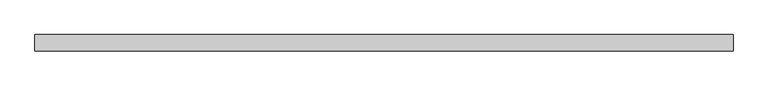
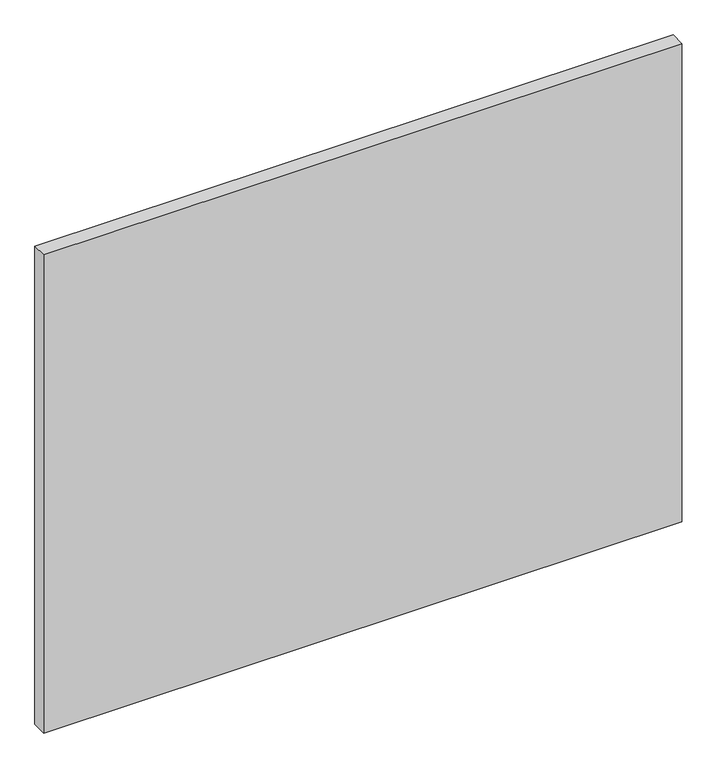
"""IFC4 building model written with IfcOpenShell, lengths in millimetres: plate geometry."""

from ifc_helpers import new_model, si_unit, origin, origin_with_axes, place, context, project, spatial, polyline, outline, extrude, source, transform, mapped, element, save


def plate_57a4e39d(model_context):
    return source(origin(), model_context, "Body", "SweptSolid", [
        extrude(outline(polyline([(1111.7821394, -26.19375), (-1111.7821394, -26.19375), (-1111.7821394, 26.19375), (1111.7821394, 26.19375), (1111.7821394, -26.19375)])), origin_with_axes(), (0.0, 0.0, 1.0), 1761.3),
    ])


if __name__ == "__main__":
    model = new_model("IFC4")
    model_context = context("Model", 3, world=origin())
    ifc_project = project(units=[si_unit("LENGTHUNIT", "METRE", prefix="MILLI")], contexts=[model_context])
    site = spatial("IfcSite", under=ifc_project)
    building = spatial("IfcBuilding", under=site)
    placement = place(None, origin())
    plate_shape = plate_57a4e39d(model_context)
    element("IfcPlate", 1, at=placement, inside=building, context=model_context, shape_type="MappedRepresentation", body=[
        mapped(plate_shape, transform((0.0, 0.0, 0.0), x_axis=(1.0, 0.0, 0.0), y_axis=(0.0, 1.0, 0.0), z_axis=(0.0, 0.0, 1.0))),
    ])
    save(model, "model.ifc")
